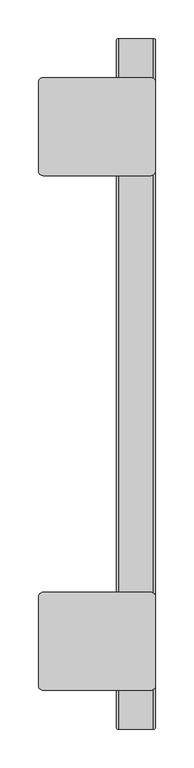
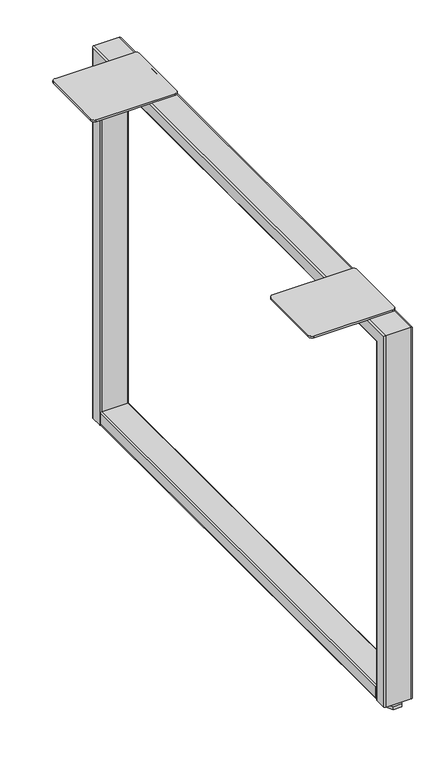
"""IFC4 building model written with IfcOpenShell, lengths in millimetres: furniture geometry."""

import ifcopenshell
import ifcopenshell.guid

model = None  # the IFC model being written
_history = None  # IfcOwnerHistory: only IFC2X3 demands one
_inside = {}  # id of a spatial element -> (the spatial element, [elements in it])
_under = {}  # id of a project, library or spatial element -> (it, [spatial elements below it])
_declared = {}  # id of a project -> (the project, [libraries it declares])
_typed = {}  # id of a type object -> (the type object, [elements of that type])
_made_of = {}  # id of a material, layer set ... -> (it, [elements and type objects made of it])


def new_model(schema):
    """Start an empty IFC model of exactly this schema.

    Asked for "IFC4X3", IfcOpenShell would pick the latest addendum, in which some entities
    have other attributes; the version numbers below select the first issue.
    IFC2X3 requires an IfcOwnerHistory on every rooted entity: one is made here for all.
    """
    global model, _history
    if schema == "IFC4X3":
        model = ifcopenshell.file(schema_version=(4, 3, 0, 0))
    else:
        model = ifcopenshell.file(schema=schema)
    _inside.clear()
    _under.clear()
    _declared.clear()
    _typed.clear()
    _made_of.clear()
    _history = None
    if model.schema == "IFC2X3":
        org = make("IfcOrganization", Name="unknown")
        user = make(
            "IfcPersonAndOrganization",
            ThePerson=make("IfcPerson", FamilyName="unknown"),
            TheOrganization=org,
        )
        app = make(
            "IfcApplication",
            ApplicationDeveloper=org,
            Version="unknown",
            ApplicationFullName="unknown",
            ApplicationIdentifier="unknown",
        )
        _history = make(
            "IfcOwnerHistory",
            OwningUser=user,
            OwningApplication=app,
            ChangeAction="ADDED",
            CreationDate=0,
        )
    return model


def make(cls, **values):
    """One entity of the class cls with the attributes given. An attribute that is None is left unset."""
    return model.create_entity(
        cls, **{name: value for name, value in values.items() if value is not None}
    )


def rooted(cls, **values):
    """An entity with a GlobalId (a new one), such as an element, a storey or a relation."""
    return make(cls, GlobalId=ifcopenshell.guid.new(), OwnerHistory=_history, **values)


def si_unit(unit_type, name, prefix=None):
    """IfcSIUnit, for example si_unit("LENGTHUNIT", "METRE", prefix="MILLI")."""
    return make("IfcSIUnit", UnitType=unit_type, Prefix=prefix, Name=name)


def assignment(units):
    """IfcUnitAssignment: the units of a project."""
    return None if units is None else make("IfcUnitAssignment", Units=units)


def point(xyz):
    """IfcCartesianPoint."""
    return None if xyz is None else make("IfcCartesianPoint", Coordinates=xyz)


def direction(xyz):
    """IfcDirection."""
    return None if xyz is None else make("IfcDirection", DirectionRatios=xyz)


def frame(location, z_axis=None, x_axis=None):
    """IfcAxis2Placement3D, a coordinate frame: its origin and axes. An axis left out is left unset."""
    return make(
        "IfcAxis2Placement3D",
        Location=point(location),
        Axis=direction(z_axis),
        RefDirection=direction(x_axis),
    )


def frame_2d(location, x_axis=None):
    """IfcAxis2Placement2D, a coordinate frame in the plane: its origin and x axis."""
    return make(
        "IfcAxis2Placement2D", Location=point(location), RefDirection=direction(x_axis)
    )


def origin():
    """The frame at (0, 0, 0) with its axes left unset."""
    return frame((0.0, 0.0, 0.0))


def origin_with_axes():
    """The frame at (0, 0, 0) with the z axis (0, 0, 1) and the x axis (1, 0, 0) written out."""
    return frame((0.0, 0.0, 0.0), z_axis=(0.0, 0.0, 1.0), x_axis=(1.0, 0.0, 0.0))


def place(relative_to, where):
    """IfcLocalPlacement: puts the frame where relative to a parent placement (None: the world)."""
    return make(
        "IfcLocalPlacement", PlacementRelTo=relative_to, RelativePlacement=where
    )


def context(
    kind, dimensions, precision=None, world=None, true_north=None, identifier=None
):
    """IfcGeometricRepresentationContext, for example the 3D "Model" context."""
    return make(
        "IfcGeometricRepresentationContext",
        ContextIdentifier=identifier,
        ContextType=kind,
        CoordinateSpaceDimension=dimensions,
        Precision=precision,
        WorldCoordinateSystem=world,
        TrueNorth=true_north,
    )


def project(units=None, contexts=None):
    """IfcProject with its units and contexts."""
    return rooted(
        "IfcProject",
        Name="project",
        RepresentationContexts=contexts,
        UnitsInContext=assignment(units),
    )


def spatial(cls, under=None, at=None, **own):
    """A site, building, storey or space (cls), placed at a placement, below another one or the project."""
    s = rooted(cls, ObjectPlacement=at, **own)
    if under is not None:
        _under.setdefault(under.id(), (under, []))[1].append(s)
    return s


def polyline(points):
    """IfcPolyline through the points."""
    return make("IfcPolyline", Points=[point(p) for p in points])


def circle_curve(where, radius):
    """IfcCircle in the frame where."""
    return make("IfcCircle", Position=where, Radius=radius)


def ellipse_curve(where, semi_axis1, semi_axis2):
    """IfcEllipse in the frame where."""
    return make(
        "IfcEllipse", Position=where, SemiAxis1=semi_axis1, SemiAxis2=semi_axis2
    )


def trimmed(basis, trim1, trim2, sense, master):
    """IfcTrimmedCurve: the piece of a basis curve between two trims."""
    return make(
        "IfcTrimmedCurve",
        BasisCurve=basis,
        Trim1=trim1,
        Trim2=trim2,
        SenseAgreement=sense,
        MasterRepresentation=master,
    )


def segment(curve, same_sense, transition):
    """IfcCompositeCurveSegment."""
    return make(
        "IfcCompositeCurveSegment",
        Transition=transition,
        SameSense=same_sense,
        ParentCurve=curve,
    )


def composite_curve(segments, self_intersect=None):
    """IfcCompositeCurve: segments joined end to end."""
    return make("IfcCompositeCurve", Segments=segments, SelfIntersect=self_intersect)


def outline(outer, holes=None, kind="AREA"):
    """IfcArbitraryClosedProfileDef: a profile drawn as a closed curve; with holes, ...WithVoids."""
    if holes is None:
        return make("IfcArbitraryClosedProfileDef", ProfileType=kind, OuterCurve=outer)
    return make(
        "IfcArbitraryProfileDefWithVoids",
        ProfileType=kind,
        OuterCurve=outer,
        InnerCurves=holes,
    )


def extrude(swept, where, along, depth):
    """IfcExtrudedAreaSolid: the profile swept, set in the frame where, extruded along a direction by depth."""
    return make(
        "IfcExtrudedAreaSolid",
        SweptArea=swept,
        Position=where,
        ExtrudedDirection=direction(along),
        Depth=depth,
    )


def shape(context_of_items, identifier, shape_type, items):
    """IfcShapeRepresentation: the items that make up one representation, for example the "Body"."""
    return make(
        "IfcShapeRepresentation",
        ContextOfItems=context_of_items,
        RepresentationIdentifier=identifier,
        RepresentationType=shape_type,
        Items=items,
    )


def source(mapping_origin, context_of_items, identifier, shape_type, items):
    """IfcRepresentationMap: a shape defined once, which mapped items show again and again."""
    return make(
        "IfcRepresentationMap",
        MappingOrigin=mapping_origin,
        MappedRepresentation=shape(context_of_items, identifier, shape_type, items),
    )


def transform(
    local_origin,
    x_axis=None,
    y_axis=None,
    z_axis=None,
    scale=None,
    scale2=None,
    scale3=None,
    uniform=True,
):
    """IfcCartesianTransformationOperator3D, or its non-uniform kind. x_axis, y_axis, z_axis: its Axis1, 2, 3."""
    if uniform:
        return make(
            "IfcCartesianTransformationOperator3D",
            Axis1=direction(x_axis),
            Axis2=direction(y_axis),
            LocalOrigin=point(local_origin),
            Scale=scale,
            Axis3=direction(z_axis),
        )
    return make(
        "IfcCartesianTransformationOperator3DnonUniform",
        Axis1=direction(x_axis),
        Axis2=direction(y_axis),
        LocalOrigin=point(local_origin),
        Scale=scale,
        Axis3=direction(z_axis),
        Scale2=scale2,
        Scale3=scale3,
    )


def mapped(mapping_source, mapping_target):
    """IfcMappedItem: shows the shape of a source again, moved by a transform."""
    return make(
        "IfcMappedItem", MappingSource=mapping_source, MappingTarget=mapping_target
    )


def made_of(thing, what):
    """Note that an element or type object is made of a material, layer set ...; save() writes the relation."""
    if what is not None:
        _made_of.setdefault(what.id(), (what, []))[1].append(thing)
    return thing


def element(
    cls,
    number,
    at=None,
    inside=None,
    cuts=None,
    type_object=None,
    material=None,
    context=None,
    identifier="Body",
    shape_type=None,
    held_by="IfcProductDefinitionShape",
    body=None,
    shapes=None,
    **own,
):
    """One element of the class cls, such as IfcWall. Its Tag is "e" and its number.

    at: its placement. inside: the storey or other place that contains it. cuts: it is an
    opening in that element (IfcRelVoidsElement). A single representation is given by context,
    identifier, shape_type and body (its items); several are given by shapes. held_by: the class
    of the entity that holds the representations. save() writes the other relations.
    """
    e = rooted(cls, Tag="e%d" % number, ObjectPlacement=at, **own)
    if body is not None:
        shapes = [shape(context, identifier, shape_type, body)]
    if shapes is not None:
        e.Representation = make(held_by, Representations=shapes)
    if inside is not None:
        _inside.setdefault(inside.id(), (inside, []))[1].append(e)
    if cuts is not None:
        rooted(
            "IfcRelVoidsElement", RelatingBuildingElement=cuts, RelatedOpeningElement=e
        )
    if type_object is not None:
        _typed.setdefault(type_object.id(), (type_object, []))[1].append(e)
    return made_of(e, material)


def aggregate(whole, parts):
    """IfcRelAggregates: a whole, such as a stair, and the parts it consists of."""
    return rooted("IfcRelAggregates", RelatingObject=whole, RelatedObjects=parts)


def save(model, path):
    """Write the relations noted so far, then the file.

    IfcRelAggregates (storeys below a building ...), IfcRelContainedInSpatialStructure (elements
    in a storey), IfcRelDefinesByType, IfcRelAssociatesMaterial and IfcRelDeclares: one each for
    every whole, place, type object, material and project.
    """
    for whole, parts in _under.values():
        aggregate(whole, parts)
    for where, things in _inside.values():
        rooted(
            "IfcRelContainedInSpatialStructure",
            RelatedElements=things,
            RelatingStructure=where,
        )
    for kind, things in _typed.values():
        rooted("IfcRelDefinesByType", RelatedObjects=things, RelatingType=kind)
    for what, things in _made_of.values():
        rooted("IfcRelAssociatesMaterial", RelatedObjects=things, RelatingMaterial=what)
    for by, libraries in _declared.values():
        rooted("IfcRelDeclares", RelatingContext=by, RelatedDefinitions=libraries)
    model.write(path)


def plane_surface(at):
    """IfcPlane: the flat surface through the origin of the frame at, square to its z axis."""
    return make("IfcPlane", Position=at)


def cylinder_surface(at, radius):
    """IfcCylindricalSurface: all points at the distance radius from the z axis of the frame at."""
    return make("IfcCylindricalSurface", Position=at, Radius=radius)


def advanced_brep(points, edges, surfaces, faces):
    """IfcAdvancedBrep: a solid bounded by faces that lie on surfaces and meet in shared edges.

    An edge is (start, end): straight between two places in points (the first is 0);
    or (start, end, curve); or (start, end, curve, False) where it runs against its curve.
    A face is (place in surfaces, loops), or (place, loops, False) where it looks against
    its surface's normal. A loop lists edges by number (the first is 1), with a minus sign
    where the edge is run from its end to its start. The first loop is the outer one.
    """
    corners = [point(p) for p in points]
    vertices = [make("IfcVertexPoint", VertexGeometry=c) for c in corners]
    made = []
    for start, end, *more in edges:
        made.append(
            make(
                "IfcEdgeCurve",
                EdgeStart=vertices[start],
                EdgeEnd=vertices[end],
                EdgeGeometry=more[0] if more else make("IfcPolyline", Points=[corners[start], corners[end]]),
                SameSense=more[1] if len(more) > 1 else True,
            )
        )
    hull = []
    for where, loops, *sense in faces:
        bounds = []
        for j, loop in enumerate(loops):
            ring = [make("IfcOrientedEdge", EdgeElement=made[abs(k) - 1], Orientation=k > 0) for k in loop]
            bounds.append(
                make(
                    "IfcFaceOuterBound" if j == 0 else "IfcFaceBound",
                    Bound=make("IfcEdgeLoop", EdgeList=ring),
                    Orientation=True,
                )
            )
        hull.append(make("IfcAdvancedFace", Bounds=bounds, FaceSurface=surfaces[where], SameSense=sense[0] if sense else True))
    return make("IfcAdvancedBrep", Outer=make("IfcClosedShell", CfsFaces=hull))


def furniture_12f87495(model_context):
    return source(origin(), model_context, "Body", "SolidModel", [
        extrude(outline(polyline([(-58.133262, -867.9386294), (-43.466738, -867.9386294), (-36.1334761, -880.6402117), (-43.466738, -893.341794), (-58.133262, -893.341794), (-65.4665239, -880.6402117), (-58.133262, -867.9386294)])), origin_with_axes(), (0.0, 0.0, 1.0), 5.5879998),
        extrude(outline(polyline([(-58.1323494, -3.3273875), (-43.4676506, -3.3273875), (-36.1353012, -16.0273893), (-43.4676506, -28.727391), (-58.1323494, -28.727391), (-65.4646988, -16.0273893), (-58.1323494, -3.3273875)])), origin_with_axes(), (0.0, 0.0, 1.0), 5.5879998),
        extrude(outline(polyline([(-53.1821655, -11.9013575), (-48.4178345, -11.9013575), (-46.0356689, -16.0273893), (-48.4178345, -20.153421), (-53.1821655, -20.153421), (-55.5643311, -16.0273893), (-53.1821655, -11.9013575)])), origin_with_axes(), (0.0, 0.0, 1.0), 68.199153),
        extrude(outline(polyline([(-53.1812504, -876.5157651), (-48.4187496, -876.5157651), (-46.0374992, -880.6402117), (-48.4187496, -884.7646584), (-53.1812504, -884.7646584), (-55.5625008, -880.6402117), (-53.1812504, -876.5157651)])), origin_with_axes(), (0.0, 0.0, 1.0), 68.199153),
        extrude(outline(composite_curve([segment(trimmed(circle_curve(frame_2d((34.4551, -73.4314001)), 2.7685999), [point((37.2236999, -73.4314001))], [point((34.4551, -76.2))], False, "CARTESIAN"), True, "CONTINUOUS"), segment(polyline([(34.4551, -76.2), (14.5922684, -76.2)]), True, "CONTINUOUS"), segment(trimmed(circle_curve(frame_2d((14.5922684, -73.431432)), 2.768568), [point((14.5922684, -76.2))], [point((11.8237003, -73.431432))], False, "CARTESIAN"), True, "CONTINUOUS"), segment(polyline([(11.8237003, -73.431432), (11.8237003, -28.1685992)]), True, "CONTINUOUS"), segment(trimmed(circle_curve(frame_2d((14.5922995, -28.1685992)), 2.7685992), [point((11.8237003, -28.1685992))], [point((14.5922995, -25.4))], False, "CARTESIAN"), True, "CONTINUOUS"), segment(polyline([(14.5922995, -25.4), (34.4551008, -25.4)]), True, "CONTINUOUS"), segment(trimmed(circle_curve(frame_2d((34.4551008, -28.1685992)), 2.7685992), [point((34.4551008, -25.4))], [point((37.2236999, -28.1685992))], False, "CARTESIAN"), True, "CONTINUOUS"), segment(polyline([(37.2236999, -28.1685992), (37.2236999, -73.4314001)]), True, "CONTINUOUS")], self_intersect=False)), frame((0.0, -870.9914, 0.0), z_axis=(0.0, 1.0, 0.0), x_axis=(0.0, 0.0, 1.0)), (0.0, 0.0, 1.0), 845.312),
        advanced_brep(
        [(-28.1685901, -896.6454, 11.8237003), (-73.431432, -896.6454, 11.8237003), (-76.2000083, -893.8768236, 11.8237003), (-76.2000083, -874.0140007, 11.8237003), (-73.4314046, -871.2453992, 11.8237003), (-28.1686105, -871.2453992, 11.8237003), (-25.4, -874.0140098, 11.8237003), (-25.4, -893.8768099, 11.8237003), (-25.4, -893.8768099, 705.0270995), (-28.1685901, -896.6454, 707.7956896), (-25.4, -874.0140098, 685.1642994), (-25.4, -22.6567902, 685.1642994), (-25.4, -22.6567902, 11.8237003), (-25.4, -2.7939901, 11.8237003), (-25.4, -2.7939901, 705.0270995), (-28.1686105, -871.2453992, 682.3956889), (-73.4314046, -871.2453992, 682.3956889), (-76.1999992, -874.0140007, 685.1642903), (-76.2000083, -893.8768236, 705.0271132), (-76.2000083, -2.7939764, 705.0271132), (-76.2000083, -2.7939764, 11.8237003), (-76.2000083, -22.6567993, 11.8237003), (-76.2000083, -22.6567993, 685.1642903), (-73.431432, -896.6454, 707.7956896), (-28.1685901, -0.0254, 707.7956896), (-28.1686105, -25.4254008, 682.3956889), (-73.4314046, -25.4254008, 682.3956889), (-73.431432, -0.0254, 707.7956896), (-28.1685901, -0.0254, 11.8237003), (-28.1686105, -25.4254008, 11.8237003), (-73.4314046, -25.4254008, 11.8237003), (-73.431432, -0.0254, 11.8237003)],
        [
            (0, 1),
            (1, 2, circle_curve(frame((-73.431432, -893.8768236, 11.8237003), z_axis=(0.0, 0.0, -1.0), x_axis=(-1.0, 0.0, 0.0)), 2.7685764)),
            (2, 3),
            (3, 4, circle_curve(frame((-73.4314046, -874.0139939, 11.8237003), z_axis=(0.0, 0.0, -1.0), x_axis=(-1.0, 0.0, 0.0)), 2.7685946)),
            (4, 5),
            (5, 6, circle_curve(frame((-28.1686105, -874.0140098, 11.8237003), z_axis=(0.0, 0.0, -1.0), x_axis=(-1.0, 0.0, 0.0)), 2.7686105)),
            (6, 7),
            (7, 0, circle_curve(frame((-28.1685901, -893.8768099, 11.8237003), z_axis=(0.0, 0.0, -1.0), x_axis=(-1.0, 0.0, 0.0)), 2.7685901)),
            (7, 8),
            (8, 9, ellipse_curve(frame((-28.1685901, -893.8768099, 705.0270995), z_axis=(0.0, -0.7071067811865476, -0.7071067811865475), x_axis=(0.0, 0.7071067811865474, -0.7071067811865476)), 3.9153777, 2.7685901)),
            (9, 0),
            (6, 10),
            (10, 11),
            (11, 12),
            (12, 13),
            (13, 14),
            (14, 8),
            (5, 15),
            (15, 10, ellipse_curve(frame((-28.1686105, -874.0140098, 685.1642994), z_axis=(0.0, -0.7071067811865476, -0.7071067811865475), x_axis=(0.0, 0.7071067811865474, -0.7071067811865476)), 3.9154066, 2.7686105)),
            (4, 16),
            (16, 15),
            (3, 17),
            (17, 16, ellipse_curve(frame((-73.4314046, -874.0139939, 685.1642835), z_axis=(0.0, -0.7071067811865476, -0.7071067811865475), x_axis=(0.0, 0.7071067811865474, -0.7071067811865476)), 3.9153841, 2.7685946)),
            (2, 18),
            (18, 19),
            (19, 20),
            (20, 21),
            (21, 22),
            (22, 17),
            (1, 23),
            (23, 18, ellipse_curve(frame((-73.431432, -893.8768236, 705.0271132), z_axis=(0.0, -0.7071067811865476, -0.7071067811865475), x_axis=(0.0, 0.7071067811865474, -0.7071067811865476)), 3.9153583, 2.7685764)),
            (9, 23),
            (14, 24, ellipse_curve(frame((-28.1685901, -2.7939901, 705.0270995), z_axis=(0.0, -0.7071067811865649, 0.70710678118653), x_axis=(0.0, -0.7071067811865303, -0.7071067811865648)), 3.9153777, 2.7685901)),
            (24, 9),
            (15, 25),
            (25, 11, ellipse_curve(frame((-28.1686105, -22.6567902, 685.1642994), z_axis=(0.0, -0.7071067811865649, 0.70710678118653), x_axis=(0.0, -0.7071067811865303, -0.7071067811865648)), 3.9154066, 2.7686105)),
            (16, 26),
            (26, 25),
            (22, 26, ellipse_curve(frame((-73.4314046, -22.6568061, 685.1642835), z_axis=(0.0, -0.7071067811865649, 0.70710678118653), x_axis=(0.0, -0.7071067811865303, -0.7071067811865648)), 3.9153841, 2.7685946)),
            (23, 27),
            (27, 19, ellipse_curve(frame((-73.431432, -2.7939764, 705.0271132), z_axis=(0.0, -0.7071067811865649, 0.70710678118653), x_axis=(0.0, -0.7071067811865303, -0.7071067811865648)), 3.9153583, 2.7685764)),
            (24, 27),
            (28, 13, circle_curve(frame((-28.1685901, -2.7939901, 11.8237003), z_axis=(0.0, 0.0, -1.0), x_axis=(-1.0, 0.0, 0.0)), 2.7685901)),
            (12, 29, circle_curve(frame((-28.1686105, -22.6567902, 11.8237003), z_axis=(0.0, 0.0, -1.0), x_axis=(-1.0, 0.0, 0.0)), 2.7686105)),
            (29, 30),
            (30, 21, circle_curve(frame((-73.4314046, -22.6568061, 11.8237003), z_axis=(0.0, 0.0, -1.0), x_axis=(-1.0, 0.0, 0.0)), 2.7685946)),
            (20, 31, circle_curve(frame((-73.431432, -2.7939764, 11.8237003), z_axis=(0.0, 0.0, -1.0), x_axis=(-1.0, 0.0, 0.0)), 2.7685764)),
            (31, 28),
            (28, 24),
            (25, 29),
            (26, 30),
            (27, 31),
        ],
        [
            plane_surface(frame((-25.4, -896.6454, 11.8237003), z_axis=(0.0, 0.0, -1.0), x_axis=(-1.0, 0.0, 0.0))),
            cylinder_surface(frame((-28.1685901, -893.8768099, 11.8237003), z_axis=(0.0, 0.0, -1.0), x_axis=(-1.0, 0.0, 0.0)), 2.7685901),
            plane_surface(frame((-25.4, -893.8768099, 11.8237003), z_axis=(1.0, 0.0, 0.0), x_axis=(0.0, 0.0, 1.0))),
            cylinder_surface(frame((-28.1686105, -874.0140098, 11.8237003), z_axis=(0.0, 0.0, -1.0), x_axis=(-1.0, 0.0, 0.0)), 2.7686105),
            plane_surface(frame((-28.1686105, -871.2453992, 11.8237003), z_axis=(0.0, 1.0, 0.0), x_axis=(0.0, 0.0, 1.0))),
            cylinder_surface(frame((-73.4314046, -874.0139939, 11.8237003), z_axis=(0.0, 0.0, -1.0), x_axis=(-1.0, 0.0, 0.0)), 2.7685946),
            plane_surface(frame((-76.2000083, -874.0140007, 11.8237003), z_axis=(-1.0, 0.0, 0.0), x_axis=(0.0, 0.0, 1.0))),
            cylinder_surface(frame((-73.431432, -893.8768236, 11.8237003), z_axis=(0.0, 0.0, -1.0), x_axis=(-1.0, 0.0, 0.0)), 2.7685764),
            plane_surface(frame((-73.431432, -896.6454, 11.8237003), z_axis=(0.0, -1.0, 0.0), x_axis=(0.0, 0.0, 1.0))),
            cylinder_surface(frame((-28.1685901, -896.6454, 705.0270995), z_axis=(0.0, -1.0, 0.0), x_axis=(-1.0, 0.0, 0.0)), 2.7685901),
            cylinder_surface(frame((-28.1686105, -896.6454, 685.1642994), z_axis=(0.0, -1.0, 0.0), x_axis=(-1.0, 0.0, 0.0)), 2.7686105),
            plane_surface(frame((-28.1686105, -871.2453992, 682.3956889), z_axis=(0.0, 0.0, -1.0), x_axis=(0.0, 1.0, 0.0))),
            cylinder_surface(frame((-73.4314046, -896.6454, 685.1642835), z_axis=(0.0, -1.0, 0.0), x_axis=(-1.0, 0.0, 0.0)), 2.7685946),
            cylinder_surface(frame((-73.431432, -896.6454, 705.0271132), z_axis=(0.0, -1.0, 0.0), x_axis=(-1.0, 0.0, 0.0)), 2.7685764),
            plane_surface(frame((-73.431432, -896.6454, 707.7956896), z_axis=(0.0, 0.0, 1.0), x_axis=(0.0, 1.0, 0.0))),
            plane_surface(frame((-25.4, -0.0254, 11.8237003), z_axis=(0.0, 0.0, -1.0), x_axis=(-1.0, 0.0, 0.0))),
            cylinder_surface(frame((-28.1685901, -2.7939901, 707.7956896), z_axis=(0.0, 0.0, 1.0), x_axis=(-1.0, 0.0, 0.0)), 2.7685901),
            cylinder_surface(frame((-28.1686105, -22.6567902, 707.7956896), z_axis=(0.0, 0.0, 1.0), x_axis=(-1.0, 0.0, 0.0)), 2.7686105),
            plane_surface(frame((-28.1686105, -25.4254008, 682.3956889), z_axis=(0.0, -1.0, 0.0), x_axis=(0.0, 0.0, -1.0))),
            cylinder_surface(frame((-73.4314046, -22.6568061, 707.7956896), z_axis=(0.0, 0.0, 1.0), x_axis=(-1.0, 0.0, 0.0)), 2.7685946),
            cylinder_surface(frame((-73.431432, -2.7939764, 707.7956896), z_axis=(0.0, 0.0, 1.0), x_axis=(-1.0, 0.0, 0.0)), 2.7685764),
            plane_surface(frame((-73.431432, -0.0254, 707.7956896), z_axis=(0.0, 1.0, 0.0), x_axis=(0.0, 0.0, -1.0))),
        ],
        [
            (0, [[1, 2, 3, 4, 5, 6, 7, 8]]),
            (1, [[9, 10, 11, -8]]),
            (2, [[12, 13, 14, 15, 16, 17, -9, -7]]),
            (3, [[18, 19, -12, -6]]),
            (4, [[20, 21, -18, -5]]),
            (5, [[22, 23, -20, -4]]),
            (6, [[24, 25, 26, 27, 28, 29, -22, -3]]),
            (7, [[30, 31, -24, -2]]),
            (8, [[-11, 32, -30, -1]]),
            (9, [[-17, 33, 34, -10]]),
            (10, [[35, 36, -13, -19]]),
            (11, [[37, 38, -35, -21]]),
            (12, [[-29, 39, -37, -23]]),
            (13, [[40, 41, -25, -31]]),
            (14, [[-34, 42, -40, -32]]),
            (15, [[43, -15, 44, 45, 46, -27, 47, 48]]),
            (16, [[-16, -43, 49, -33]]),
            (17, [[50, -44, -14, -36]]),
            (18, [[51, -45, -50, -38]]),
            (19, [[-28, -46, -51, -39]]),
            (20, [[52, -47, -26, -41]]),
            (21, [[-49, -48, -52, -42]]),
        ],
    ),
        extrude(outline(composite_curve([segment(trimmed(circle_curve(frame_2d((-31.7182233, -839.5271767)), 6.3182233), [point((-25.4, -839.5271767))], [point((-31.7182233, -845.8454))], False, "CARTESIAN"), True, "CONTINUOUS"), segment(polyline([(-31.7182233, -845.8454), (-171.4182245, -845.8454)]), True, "CONTINUOUS"), segment(trimmed(circle_curve(frame_2d((-171.4182245, -839.4954426)), 6.3499574), [point((-171.4182245, -845.8454))], [point((-177.7681819, -839.4954426))], False, "CARTESIAN"), True, "CONTINUOUS"), segment(polyline([(-177.7681819, -839.4954426), (-177.7681819, -725.1953758)]), True, "CONTINUOUS"), segment(trimmed(circle_curve(frame_2d((-171.4182061, -725.1953758)), 6.3499758), [point((-177.7681819, -725.1953758))], [point((-171.4182061, -718.8454))], False, "CARTESIAN"), True, "CONTINUOUS"), segment(polyline([(-171.4182061, -718.8454), (-31.7182735, -718.8454)]), True, "CONTINUOUS"), segment(trimmed(circle_curve(frame_2d((-31.7182735, -725.1636735)), 6.3182735), [point((-31.7182735, -718.8454))], [point((-25.4, -725.1636735))], False, "CARTESIAN"), True, "CONTINUOUS"), segment(polyline([(-25.4, -725.1636735), (-25.4, -839.5271767)]), True, "CONTINUOUS")], self_intersect=False)), frame((0.0, 0.0, 707.7956896), z_axis=(0.0, 0.0, 1.0), x_axis=(1.0, 0.0, 0.0)), (0.0, 0.0, 1.0), 3.4036),
        extrude(outline(composite_curve([segment(trimmed(circle_curve(frame_2d((-31.7181781, -171.4753943)), 6.3499996), [point((-25.4, -172.110312))], [point((-31.7181781, -177.8253939))], False, "CARTESIAN"), True, "CONTINUOUS"), segment(polyline([(-31.7181781, -177.8253939), (-171.4182697, -177.8253939)]), True, "CONTINUOUS"), segment(trimmed(circle_curve(frame_2d((-171.4182697, -171.4754818)), 6.3499122), [point((-171.4182697, -177.8253939))], [point((-177.7681819, -171.4754818))], False, "CARTESIAN"), True, "CONTINUOUS"), segment(polyline([(-177.7681819, -171.4754818), (-177.7681819, -57.1753537)]), True, "CONTINUOUS"), segment(trimmed(circle_curve(frame_2d((-171.4182297, -57.1753537)), 6.3499522), [point((-177.7681819, -57.1753537))], [point((-171.4182297, -50.8254015))], False, "CARTESIAN"), True, "CONTINUOUS"), segment(polyline([(-171.4182297, -50.8254015), (-31.7181273, -50.8254015)]), True, "CONTINUOUS"), segment(trimmed(circle_curve(frame_2d((-31.7181273, -57.1435288)), 6.3181273), [point((-31.7181273, -50.8254015))], [point((-25.4, -57.1435288))], False, "CARTESIAN"), True, "CONTINUOUS"), segment(polyline([(-25.4, -57.1435288), (-25.4, -172.110312)]), True, "CONTINUOUS")], self_intersect=False)), frame((0.0, 0.0, 707.7956896), z_axis=(0.0, 0.0, 1.0), x_axis=(1.0, 0.0, 0.0)), (0.0, 0.0, 1.0), 3.4036),
    ])


if __name__ == "__main__":
    model = new_model("IFC4")
    model_context = context("Model", 3, world=origin())
    ifc_project = project(units=[si_unit("LENGTHUNIT", "METRE", prefix="MILLI")], contexts=[model_context])
    site = spatial("IfcSite", under=ifc_project)
    building = spatial("IfcBuilding", under=site)
    placement = place(None, origin())
    furniture_shape = furniture_12f87495(model_context)
    element("IfcFurniture", 1, at=placement, inside=building, context=model_context, shape_type="MappedRepresentation", body=[
        mapped(furniture_shape, transform((0.0, 0.0, 0.0), x_axis=(1.0, 0.0, 0.0), y_axis=(0.0, 1.0, 0.0), z_axis=(0.0, 0.0, 1.0))),
    ])
    save(model, "model.ifc")
